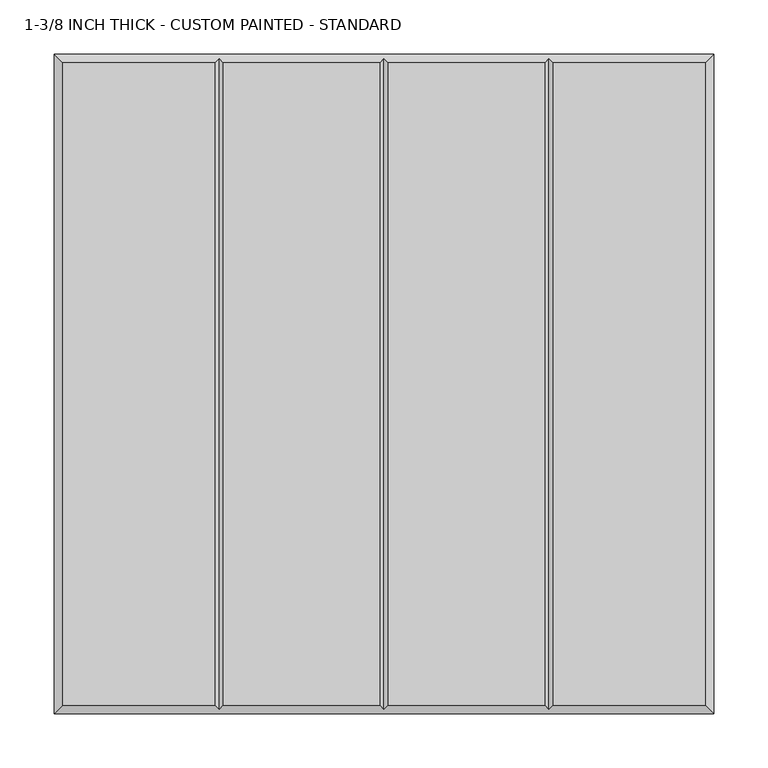
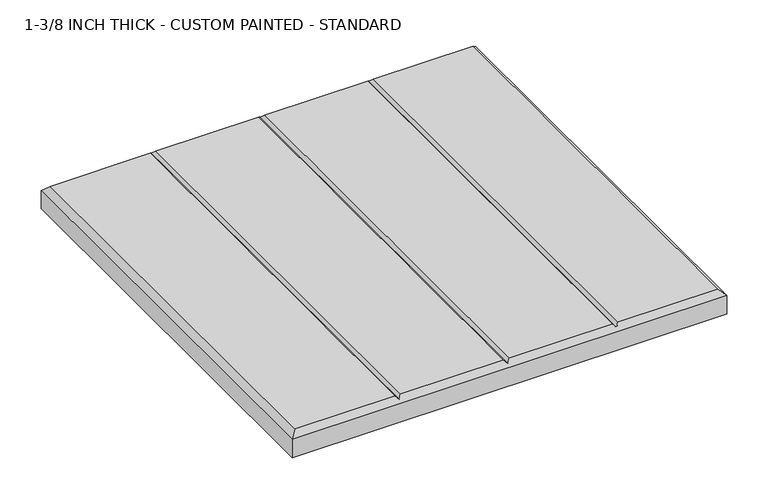
"""IFC4 building model written with IfcOpenShell, lengths in millimetres: proxy geometry, 1-3/8 INCH THICK - CUSTOM PAINTED - STANDARD."""

from ifc_helpers import new_model, si_unit, origin, place, context, project, spatial, faceted_brep, source, transform, mapped, element, save


def proxy_1_3_8_inch_thick_custom_painted_standard_1e24a683(model_context):
    return source(origin(), model_context, "Body", "Brep", [
        faceted_brep([(-296.799, 296.799, 34.925), (-296.799, -296.799, 34.925), (-156.4009826, -296.799, 34.925), (-156.4009826, 296.799, 34.925), (296.799, -296.799, 34.925), (296.799, 296.799, 34.925), (156.4010334, 296.799, 34.925), (156.4010334, -296.799, 34.925), (-148.3999826, 296.799, 34.925), (-148.3999826, -296.799, 34.925), (-4.0004746, -296.799, 34.925), (-4.0004746, 296.799, 34.925), (4.0005254, 296.799, 34.925), (4.0005254, -296.799, 34.925), (148.4000334, -296.799, 34.925), (148.4000334, 296.799, 34.925), (-304.8, 304.8, 0.0), (304.8, 304.8, 0.0), (304.8, -304.8, 0.0), (-304.8, -304.8, 0.0), (-304.8, -304.8, 26.924), (-304.8, 304.8, 26.924), (304.8, -304.8, 26.924), (304.8, 304.8, 26.924), (-152.4004826, 300.7995, 30.9245), (2.54e-05, 300.7995, 30.9245), (152.4005334, 300.7995, 30.9245), (152.4005334, -300.7995, 30.9245), (2.54e-05, -300.7995, 30.9245), (-152.4004826, -300.7995, 30.9245)], [[[0, 1, 2, 3]], [[4, 5, 6, 7]], [[8, 9, 10, 11]], [[12, 13, 14, 15]], [[16, 17, 18, 19]], [[16, 19, 20, 21]], [[19, 18, 22, 20]], [[18, 17, 23, 22]], [[17, 16, 21, 23]], [[21, 0, 3, 24, 8, 11, 25, 12, 15, 26, 6, 5, 23]], [[0, 21, 20, 1]], [[1, 20, 22, 4, 7, 27, 14, 13, 28, 10, 9, 29, 2]], [[23, 5, 4, 22]], [[24, 29, 9, 8]], [[29, 24, 3, 2]], [[25, 28, 13, 12]], [[28, 25, 11, 10]], [[26, 27, 7, 6]], [[27, 26, 15, 14]]]),
    ])


if __name__ == "__main__":
    model = new_model("IFC4")
    model_context = context("Model", 3, world=origin())
    ifc_project = project(units=[si_unit("LENGTHUNIT", "METRE", prefix="MILLI")], contexts=[model_context])
    site = spatial("IfcSite", under=ifc_project)
    building = spatial("IfcBuilding", under=site)
    placement = place(None, origin())
    proxy_1_3_8_inch_thick_custom_painted_standard_shape = proxy_1_3_8_inch_thick_custom_painted_standard_1e24a683(model_context)
    element("IfcBuildingElementProxy", 1, Name="1-3/8 INCH THICK - CUSTOM PAINTED - STANDARD", ObjectType="1-3/8 INCH THICK - CUSTOM PAINTED - STANDARD", at=placement, inside=building, context=model_context, shape_type="MappedRepresentation", body=[
        mapped(proxy_1_3_8_inch_thick_custom_painted_standard_shape, transform((0.0, 0.0, 0.0), x_axis=(1.0, 0.0, 0.0), y_axis=(0.0, 1.0, 0.0), z_axis=(0.0, 0.0, 1.0))),
    ])
    save(model, "model.ifc")
